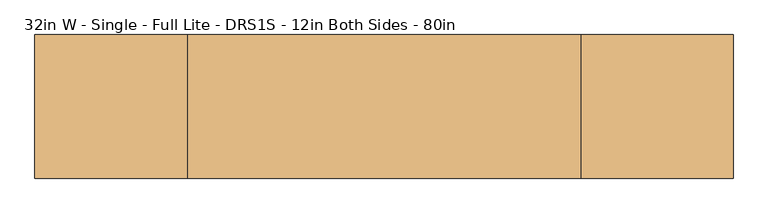
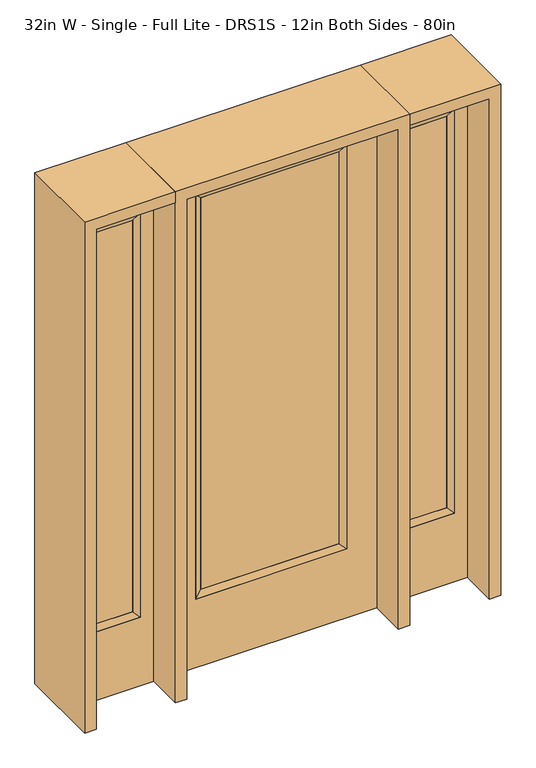
"""IFC4 building model written with IfcOpenShell, lengths in millimetres: door geometry, 32in W - Single - Full Lite - DRS1S - 12in Both Sides - 80in."""

from ifc_helpers import new_model, si_unit, frame, origin, place, context, project, spatial, polyline, outline, extrude, faceted_brep, source, transform, mapped, element, save


def door_32in_w_single_full_lite_drs1s_12in_both_sides_80in_0d89accc(model_context):
    return source(origin(), model_context, "Body", "SolidModel", [
        extrude(outline(polyline([(265.5824, -12.7039749), (-265.5824, -12.7039749), (-265.5824, 14.2875), (265.5824, 14.2875), (265.5824, -12.7039749)])), frame((0.0, 0.0, 304.8), z_axis=(0.0, 0.0, 1.0), x_axis=(1.0, 0.0, 0.0)), (0.0, 0.0, 1.0), 1591.1576),
        faceted_brep([(265.5824, 14.2875, 1895.9576), (290.9824, 22.225, 1921.3576), (290.9824, 22.225, 279.4), (265.5824, 14.2875, 304.8), (290.9824, -22.225, 1921.3576), (290.9824, -22.225, 279.4), (-290.9824, 22.225, 279.4), (-265.5824, 14.2875, 304.8), (265.5824, -12.7039749, 1895.9576), (265.5824, -12.7039749, 304.8), (-265.5824, -12.7039749, 304.8), (-290.9824, -22.225, 279.4), (-290.9824, 22.225, 1921.3576), (-265.5824, 14.2875, 1895.9576), (-265.5824, -12.7039749, 1895.9576), (-290.9824, -22.225, 1921.3576)], [[[0, 1, 2, 3]], [[1, 4, 5, 2]], [[3, 2, 6, 7]], [[8, 0, 3, 9]], [[9, 3, 7, 10]], [[4, 8, 9, 5]], [[5, 9, 10, 11]], [[2, 5, 11, 6]], [[7, 6, 12, 13]], [[10, 7, 13, 14]], [[11, 10, 14, 15]], [[6, 11, 15, 12]], [[13, 12, 1, 0]], [[14, 13, 0, 8]], [[15, 14, 8, 4]], [[12, 15, 4, 1]]]),
        extrude(outline(polyline([(0.0, -406.4), (0.0, 406.4), (2032.0, 406.4), (2032.0, -406.4), (0.0, -406.4)]), holes=[polyline([(279.4, -290.9824), (1921.3576, -290.9824), (1921.3576, 290.9824), (279.4, 290.9824), (279.4, -290.9824)])]), frame((0.0, -22.225, 0.0), z_axis=(0.0, 1.0, 0.0), x_axis=(0.0, 0.0, 1.0)), (0.0, 0.0, 1.0), 44.45),
        faceted_brep([(501.65, 20.6375, 1920.875), (501.65, 20.6375, 279.4), (501.65, -20.6375, 279.4), (501.65, -20.6375, 1920.875), (527.05, -12.7, 304.8), (527.05, -12.7, 1895.475), (704.85, 20.6375, 279.4), (704.85, -20.6375, 279.4), (527.05, 12.7, 1895.475), (527.05, 12.7, 304.8), (679.45, 12.7, 304.8), (679.45, -12.7, 304.8), (704.85, 20.6375, 1920.875), (704.85, -20.6375, 1920.875), (679.45, 12.7, 1895.475), (679.45, -12.7, 1895.475)], [[[0, 1, 2, 3]], [[3, 2, 4, 5]], [[1, 6, 7, 2]], [[8, 9, 1, 0]], [[9, 10, 6, 1]], [[5, 4, 9, 8]], [[4, 11, 10, 9]], [[2, 7, 11, 4]], [[6, 12, 13, 7]], [[10, 14, 12, 6]], [[11, 15, 14, 10]], [[7, 13, 15, 11]], [[12, 0, 3, 13]], [[14, 8, 0, 12]], [[15, 5, 8, 14]], [[13, 3, 5, 15]]]),
        extrude(outline(polyline([(0.0, 755.65), (2032.0, 755.65), (2032.0, 450.85), (0.0, 450.85), (0.0, 755.65)]), holes=[polyline([(1920.875, 501.65), (1920.875, 704.85), (279.4, 704.85), (279.4, 501.65), (1920.875, 501.65)])]), frame((0.0, -20.6375, 0.0), z_axis=(0.0, 1.0, 0.0), x_axis=(0.0, 0.0, 1.0)), (0.0, 0.0, 1.0), 41.275),
        extrude(outline(polyline([(527.05, -12.7), (527.05, 12.7), (679.45, 12.7), (679.45, -12.7), (527.05, -12.7)])), frame((0.0, 0.0, 304.8), z_axis=(0.0, 0.0, 1.0), x_axis=(1.0, 0.0, 0.0)), (0.0, 0.0, 1.0), 1590.675),
        faceted_brep([(-501.65, 20.6375, 1920.875), (-501.65, -20.6375, 1920.875), (-501.65, -20.6375, 279.4), (-501.65, 20.6375, 279.4), (-527.05, -12.7, 1895.475), (-527.05, -12.7, 304.8), (-704.85, -20.6375, 279.4), (-704.85, 20.6375, 279.4), (-527.05, 12.7, 1895.475), (-527.05, 12.7, 304.8), (-679.45, 12.7, 304.8), (-679.45, -12.7, 304.8), (-704.85, -20.6375, 1920.875), (-704.85, 20.6375, 1920.875), (-679.45, 12.7, 1895.475), (-679.45, -12.7, 1895.475)], [[[0, 1, 2, 3]], [[1, 4, 5, 2]], [[3, 2, 6, 7]], [[8, 0, 3, 9]], [[9, 3, 7, 10]], [[4, 8, 9, 5]], [[5, 9, 10, 11]], [[2, 5, 11, 6]], [[7, 6, 12, 13]], [[10, 7, 13, 14]], [[11, 10, 14, 15]], [[6, 11, 15, 12]], [[13, 12, 1, 0]], [[14, 13, 0, 8]], [[15, 14, 8, 4]], [[12, 15, 4, 1]]]),
        extrude(outline(polyline([(0.0, -755.65), (0.0, -450.85), (2032.0, -450.85), (2032.0, -755.65), (0.0, -755.65)]), holes=[polyline([(1920.875, -501.65), (279.4, -501.65), (279.4, -704.85), (1920.875, -704.85), (1920.875, -501.65)])]), frame((0.0, -20.6375, 0.0), z_axis=(0.0, 1.0, 0.0), x_axis=(0.0, 0.0, 1.0)), (0.0, 0.0, 1.0), 41.275),
        extrude(outline(polyline([(-527.05, -12.7), (-679.45, -12.7), (-679.45, 12.7), (-527.05, 12.7), (-527.05, -12.7)])), frame((0.0, 0.0, 304.8), z_axis=(0.0, 0.0, 1.0), x_axis=(1.0, 0.0, 0.0)), (0.0, 0.0, 1.0), 1590.675),
        extrude(outline(polyline([(2032.0, -450.85), (2076.45, -450.85), (2076.45, -800.1), (0.0, -800.1), (0.0, -755.65), (2032.0, -755.65), (2032.0, -450.85)])), frame((0.0, -165.1, 0.0), z_axis=(0.0, 1.0, 0.0), x_axis=(0.0, 0.0, 1.0)), (0.0, 0.0, 1.0), 330.2),
        extrude(outline(polyline([(2076.45, -450.85), (0.0, -450.85), (0.0, -406.4), (2032.0, -406.4), (2032.0, 406.4), (0.0, 406.4), (0.0, 450.85), (2076.45, 450.85), (2076.45, -450.85)])), frame((0.0, -165.1, 0.0), z_axis=(0.0, 1.0, 0.0), x_axis=(0.0, 0.0, 1.0)), (0.0, 0.0, 1.0), 330.2),
        extrude(outline(polyline([(0.0, 755.65), (0.0, 800.1), (2076.45, 800.1), (2076.45, 450.85), (2032.0, 450.85), (2032.0, 755.65), (0.0, 755.65)])), frame((0.0, -165.1, 0.0), z_axis=(0.0, 1.0, 0.0), x_axis=(0.0, 0.0, 1.0)), (0.0, 0.0, 1.0), 330.2),
    ])


if __name__ == "__main__":
    model = new_model("IFC4")
    model_context = context("Model", 3, world=origin())
    ifc_project = project(units=[si_unit("LENGTHUNIT", "METRE", prefix="MILLI")], contexts=[model_context])
    site = spatial("IfcSite", under=ifc_project)
    building = spatial("IfcBuilding", under=site)
    placement = place(None, origin())
    door_32in_w_single_full_lite_drs1s_12in_both_sides_80in_shape = door_32in_w_single_full_lite_drs1s_12in_both_sides_80in_0d89accc(model_context)
    element("IfcDoor", 1, ObjectType="32in W - Single - Full Lite - DRS1S - 12in Both Sides - 80in", at=placement, inside=building, context=model_context, shape_type="MappedRepresentation", body=[
        mapped(door_32in_w_single_full_lite_drs1s_12in_both_sides_80in_shape, transform((0.0, 0.0, 0.0), x_axis=(1.0, 0.0, 0.0), y_axis=(0.0, 1.0, 0.0), z_axis=(0.0, 0.0, 1.0))),
    ])
    save(model, "model.ifc")
